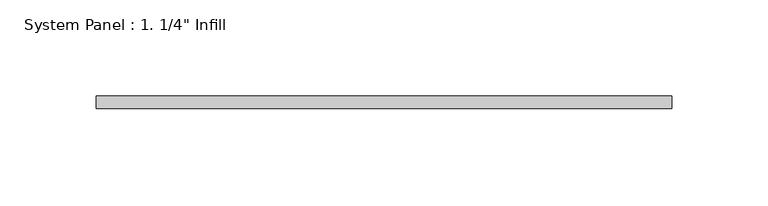
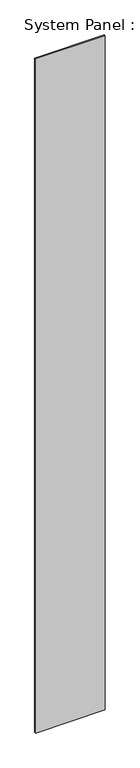
"""IFC4 building model written with IfcOpenShell, lengths in millimetres: plate geometry."""

from ifc_helpers import new_model, si_unit, origin, origin_with_axes, place, context, project, spatial, polyline, outline, extrude, source, transform, mapped, element, save


def plate_f80a95b4(model_context):
    return source(origin(), model_context, "Body", "SweptSolid", [
        extrude(outline(polyline([(149.0888571, -6.35), (-149.0888571, -6.35), (-149.0888571, 0.0), (149.0888571, 0.0), (149.0888571, -6.35)])), origin_with_axes(), (0.0, 0.0, 1.0), 3048.0),
    ])


if __name__ == "__main__":
    model = new_model("IFC4")
    model_context = context("Model", 3, world=origin())
    ifc_project = project(units=[si_unit("LENGTHUNIT", "METRE", prefix="MILLI")], contexts=[model_context])
    site = spatial("IfcSite", under=ifc_project)
    building = spatial("IfcBuilding", under=site)
    placement = place(None, origin())
    plate_shape = plate_f80a95b4(model_context)
    element("IfcPlate", 1, ObjectType="System Panel : 1. 1/4\" Infill", at=placement, inside=building, context=model_context, shape_type="MappedRepresentation", body=[
        mapped(plate_shape, transform((0.0, 0.0, 0.0), x_axis=(1.0, 0.0, 0.0), y_axis=(0.0, 1.0, 0.0), z_axis=(0.0, 0.0, 1.0))),
    ])
    save(model, "model.ifc")
